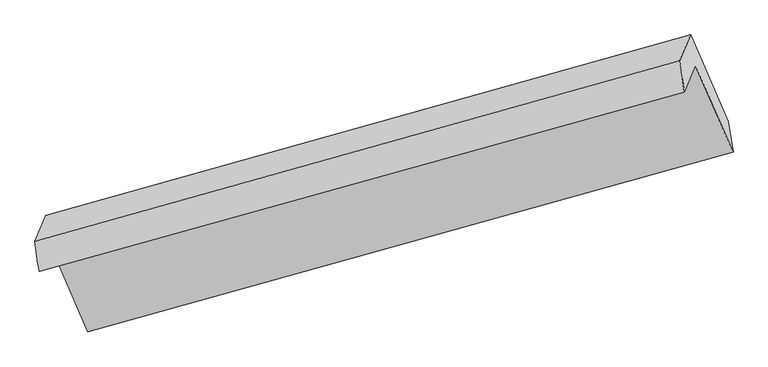
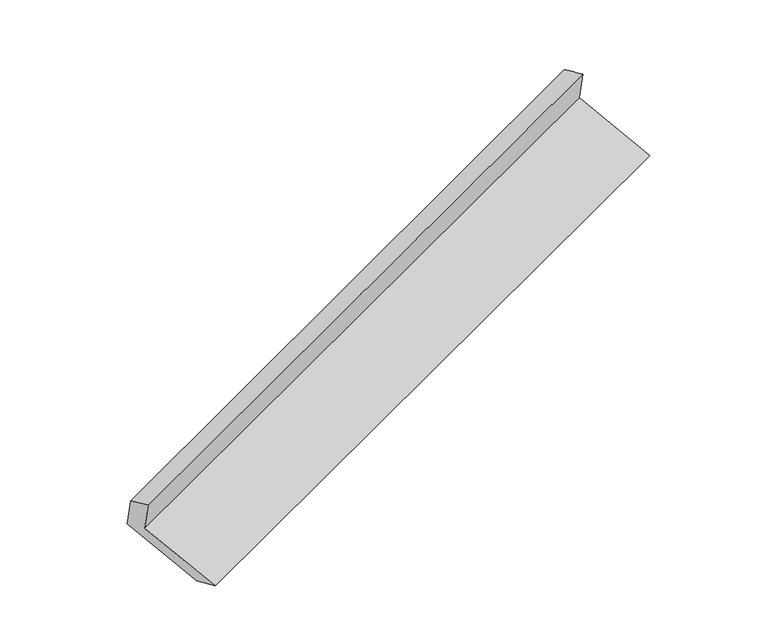
"""IFC4 building model written with IfcOpenShell, lengths in millimetres: proxy geometry."""

import ifcopenshell
import ifcopenshell.guid

model = None  # the IFC model being written
_history = None  # IfcOwnerHistory: only IFC2X3 demands one
_inside = {}  # id of a spatial element -> (the spatial element, [elements in it])
_under = {}  # id of a project, library or spatial element -> (it, [spatial elements below it])
_declared = {}  # id of a project -> (the project, [libraries it declares])
_typed = {}  # id of a type object -> (the type object, [elements of that type])
_made_of = {}  # id of a material, layer set ... -> (it, [elements and type objects made of it])


def new_model(schema):
    """Start an empty IFC model of exactly this schema.

    Asked for "IFC4X3", IfcOpenShell would pick the latest addendum, in which some entities
    have other attributes; the version numbers below select the first issue.
    IFC2X3 requires an IfcOwnerHistory on every rooted entity: one is made here for all.
    """
    global model, _history
    if schema == "IFC4X3":
        model = ifcopenshell.file(schema_version=(4, 3, 0, 0))
    else:
        model = ifcopenshell.file(schema=schema)
    _inside.clear()
    _under.clear()
    _declared.clear()
    _typed.clear()
    _made_of.clear()
    _history = None
    if model.schema == "IFC2X3":
        org = make("IfcOrganization", Name="unknown")
        user = make(
            "IfcPersonAndOrganization",
            ThePerson=make("IfcPerson", FamilyName="unknown"),
            TheOrganization=org,
        )
        app = make(
            "IfcApplication",
            ApplicationDeveloper=org,
            Version="unknown",
            ApplicationFullName="unknown",
            ApplicationIdentifier="unknown",
        )
        _history = make(
            "IfcOwnerHistory",
            OwningUser=user,
            OwningApplication=app,
            ChangeAction="ADDED",
            CreationDate=0,
        )
    return model


def make(cls, **values):
    """One entity of the class cls with the attributes given. An attribute that is None is left unset."""
    return model.create_entity(
        cls, **{name: value for name, value in values.items() if value is not None}
    )


def rooted(cls, **values):
    """An entity with a GlobalId (a new one), such as an element, a storey or a relation."""
    return make(cls, GlobalId=ifcopenshell.guid.new(), OwnerHistory=_history, **values)


def si_unit(unit_type, name, prefix=None):
    """IfcSIUnit, for example si_unit("LENGTHUNIT", "METRE", prefix="MILLI")."""
    return make("IfcSIUnit", UnitType=unit_type, Prefix=prefix, Name=name)


def assignment(units):
    """IfcUnitAssignment: the units of a project."""
    return None if units is None else make("IfcUnitAssignment", Units=units)


def point(xyz):
    """IfcCartesianPoint."""
    return None if xyz is None else make("IfcCartesianPoint", Coordinates=xyz)


def direction(xyz):
    """IfcDirection."""
    return None if xyz is None else make("IfcDirection", DirectionRatios=xyz)


def frame(location, z_axis=None, x_axis=None):
    """IfcAxis2Placement3D, a coordinate frame: its origin and axes. An axis left out is left unset."""
    return make(
        "IfcAxis2Placement3D",
        Location=point(location),
        Axis=direction(z_axis),
        RefDirection=direction(x_axis),
    )


def origin():
    """The frame at (0, 0, 0) with its axes left unset."""
    return frame((0.0, 0.0, 0.0))


def place(relative_to, where):
    """IfcLocalPlacement: puts the frame where relative to a parent placement (None: the world)."""
    return make(
        "IfcLocalPlacement", PlacementRelTo=relative_to, RelativePlacement=where
    )


def context(
    kind, dimensions, precision=None, world=None, true_north=None, identifier=None
):
    """IfcGeometricRepresentationContext, for example the 3D "Model" context."""
    return make(
        "IfcGeometricRepresentationContext",
        ContextIdentifier=identifier,
        ContextType=kind,
        CoordinateSpaceDimension=dimensions,
        Precision=precision,
        WorldCoordinateSystem=world,
        TrueNorth=true_north,
    )


def project(units=None, contexts=None):
    """IfcProject with its units and contexts."""
    return rooted(
        "IfcProject",
        Name="project",
        RepresentationContexts=contexts,
        UnitsInContext=assignment(units),
    )


def spatial(cls, under=None, at=None, **own):
    """A site, building, storey or space (cls), placed at a placement, below another one or the project."""
    s = rooted(cls, ObjectPlacement=at, **own)
    if under is not None:
        _under.setdefault(under.id(), (under, []))[1].append(s)
    return s


def shape(context_of_items, identifier, shape_type, items):
    """IfcShapeRepresentation: the items that make up one representation, for example the "Body"."""
    return make(
        "IfcShapeRepresentation",
        ContextOfItems=context_of_items,
        RepresentationIdentifier=identifier,
        RepresentationType=shape_type,
        Items=items,
    )


def source(mapping_origin, context_of_items, identifier, shape_type, items):
    """IfcRepresentationMap: a shape defined once, which mapped items show again and again."""
    return make(
        "IfcRepresentationMap",
        MappingOrigin=mapping_origin,
        MappedRepresentation=shape(context_of_items, identifier, shape_type, items),
    )


def transform(
    local_origin,
    x_axis=None,
    y_axis=None,
    z_axis=None,
    scale=None,
    scale2=None,
    scale3=None,
    uniform=True,
):
    """IfcCartesianTransformationOperator3D, or its non-uniform kind. x_axis, y_axis, z_axis: its Axis1, 2, 3."""
    if uniform:
        return make(
            "IfcCartesianTransformationOperator3D",
            Axis1=direction(x_axis),
            Axis2=direction(y_axis),
            LocalOrigin=point(local_origin),
            Scale=scale,
            Axis3=direction(z_axis),
        )
    return make(
        "IfcCartesianTransformationOperator3DnonUniform",
        Axis1=direction(x_axis),
        Axis2=direction(y_axis),
        LocalOrigin=point(local_origin),
        Scale=scale,
        Axis3=direction(z_axis),
        Scale2=scale2,
        Scale3=scale3,
    )


def mapped(mapping_source, mapping_target):
    """IfcMappedItem: shows the shape of a source again, moved by a transform."""
    return make(
        "IfcMappedItem", MappingSource=mapping_source, MappingTarget=mapping_target
    )


def made_of(thing, what):
    """Note that an element or type object is made of a material, layer set ...; save() writes the relation."""
    if what is not None:
        _made_of.setdefault(what.id(), (what, []))[1].append(thing)
    return thing


def element(
    cls,
    number,
    at=None,
    inside=None,
    cuts=None,
    type_object=None,
    material=None,
    context=None,
    identifier="Body",
    shape_type=None,
    held_by="IfcProductDefinitionShape",
    body=None,
    shapes=None,
    **own,
):
    """One element of the class cls, such as IfcWall. Its Tag is "e" and its number.

    at: its placement. inside: the storey or other place that contains it. cuts: it is an
    opening in that element (IfcRelVoidsElement). A single representation is given by context,
    identifier, shape_type and body (its items); several are given by shapes. held_by: the class
    of the entity that holds the representations. save() writes the other relations.
    """
    e = rooted(cls, Tag="e%d" % number, ObjectPlacement=at, **own)
    if body is not None:
        shapes = [shape(context, identifier, shape_type, body)]
    if shapes is not None:
        e.Representation = make(held_by, Representations=shapes)
    if inside is not None:
        _inside.setdefault(inside.id(), (inside, []))[1].append(e)
    if cuts is not None:
        rooted(
            "IfcRelVoidsElement", RelatingBuildingElement=cuts, RelatedOpeningElement=e
        )
    if type_object is not None:
        _typed.setdefault(type_object.id(), (type_object, []))[1].append(e)
    return made_of(e, material)


def aggregate(whole, parts):
    """IfcRelAggregates: a whole, such as a stair, and the parts it consists of."""
    return rooted("IfcRelAggregates", RelatingObject=whole, RelatedObjects=parts)


def save(model, path):
    """Write the relations noted so far, then the file.

    IfcRelAggregates (storeys below a building ...), IfcRelContainedInSpatialStructure (elements
    in a storey), IfcRelDefinesByType, IfcRelAssociatesMaterial and IfcRelDeclares: one each for
    every whole, place, type object, material and project.
    """
    for whole, parts in _under.values():
        aggregate(whole, parts)
    for where, things in _inside.values():
        rooted(
            "IfcRelContainedInSpatialStructure",
            RelatedElements=things,
            RelatingStructure=where,
        )
    for kind, things in _typed.values():
        rooted("IfcRelDefinesByType", RelatedObjects=things, RelatingType=kind)
    for what, things in _made_of.values():
        rooted("IfcRelAssociatesMaterial", RelatedObjects=things, RelatingMaterial=what)
    for by, libraries in _declared.values():
        rooted("IfcRelDeclares", RelatingContext=by, RelatedDefinitions=libraries)
    model.write(path)


def plane_surface(at):
    """IfcPlane: the flat surface through the origin of the frame at, square to its z axis."""
    return make("IfcPlane", Position=at)


def spline_surface(u_degree, v_degree, points, u_multiplicities, v_multiplicities, u_knots, v_knots, weights=None):
    """IfcBSplineSurfaceWithKnots; with weights, IfcRationalBSplineSurfaceWithKnots. points: one row for each step in u."""
    own = dict(
        UDegree=u_degree,
        VDegree=v_degree,
        ControlPointsList=[[point(p) for p in row] for row in points],
        SurfaceForm="UNSPECIFIED",
        UClosed=False,
        VClosed=False,
        SelfIntersect=False,
        UMultiplicities=u_multiplicities,
        VMultiplicities=v_multiplicities,
        UKnots=u_knots,
        VKnots=v_knots,
        KnotSpec="UNSPECIFIED",
    )
    if weights is None:
        return make("IfcBSplineSurfaceWithKnots", **own)
    return make("IfcRationalBSplineSurfaceWithKnots", WeightsData=weights, **own)


def advanced_brep(points, edges, surfaces, faces):
    """IfcAdvancedBrep: a solid bounded by faces that lie on surfaces and meet in shared edges.

    An edge is (start, end): straight between two places in points (the first is 0);
    or (start, end, curve); or (start, end, curve, False) where it runs against its curve.
    A face is (place in surfaces, loops), or (place, loops, False) where it looks against
    its surface's normal. A loop lists edges by number (the first is 1), with a minus sign
    where the edge is run from its end to its start. The first loop is the outer one.
    """
    corners = [point(p) for p in points]
    vertices = [make("IfcVertexPoint", VertexGeometry=c) for c in corners]
    made = []
    for start, end, *more in edges:
        made.append(
            make(
                "IfcEdgeCurve",
                EdgeStart=vertices[start],
                EdgeEnd=vertices[end],
                EdgeGeometry=more[0] if more else make("IfcPolyline", Points=[corners[start], corners[end]]),
                SameSense=more[1] if len(more) > 1 else True,
            )
        )
    hull = []
    for where, loops, *sense in faces:
        bounds = []
        for j, loop in enumerate(loops):
            ring = [make("IfcOrientedEdge", EdgeElement=made[abs(k) - 1], Orientation=k > 0) for k in loop]
            bounds.append(
                make(
                    "IfcFaceOuterBound" if j == 0 else "IfcFaceBound",
                    Bound=make("IfcEdgeLoop", EdgeList=ring),
                    Orientation=True,
                )
            )
        hull.append(make("IfcAdvancedFace", Bounds=bounds, FaceSurface=surfaces[where], SameSense=sense[0] if sense else True))
    return make("IfcAdvancedBrep", Outer=make("IfcClosedShell", CfsFaces=hull))


def generic_models_f07555c0(model_context):
    return source(origin(), model_context, "Body", "AdvancedBrep", [
        advanced_brep(
        [(-5144.3500588, -2135.6765513, 1493.3820745), (-5069.6783754, -1957.9626365, 1151.3016307), (-739.6750169, -752.2265168, 2711.3972045), (-814.3467003, -929.9404316, 3053.4776483), (-5171.9098603, -1933.2920229, 1413.4699925), (-845.6175253, -719.0089554, 2977.195716), (-5099.1398943, -1760.1040759, 1080.1015568), (-772.8475593, -545.8210084, 2643.8272803), (-4850.2544933, -2333.3180585, 836.640083), (-520.2511349, -1127.5819388, 2396.7356568), (-4817.081951, -2539.7235669, 904.2100072), (-487.0785925, -1333.9874473, 2464.305581)],
        [
            (0, 1),
            (1, 2),
            (2, 3),
            (3, 0),
            (4, 0),
            (3, 5),
            (5, 4),
            (6, 4),
            (5, 7),
            (7, 6),
            (8, 6),
            (7, 9),
            (9, 8),
            (10, 8),
            (9, 11),
            (11, 10),
            (1, 10),
            (11, 2),
        ],
        [
            plane_surface(frame((-5107.0142171, -2046.8195939, 1322.3418526), z_axis=(0.36919116534704033, -0.8552273295575493, -0.3637088096369913), x_axis=(0.19017173522827097, 0.45259678153976696, -0.8712008175272294))),
            spline_surface(1, 1, [[(-5171.9098603, -1933.2920229, 1413.4699925), (-845.6175253, -719.0089554, 2977.195716)], [(-5144.3500588, -2135.6765513, 1493.3820745), (-814.3467003, -929.9404316, 3053.4776483)]], [2, 2], [2, 2], [0.0, 1.0], [0.0, 1.0]),
            plane_surface(frame((-5135.5248773, -1846.6980494, 1246.7857746), z_axis=(-0.37110234885469484, 0.85469478925226, 0.3630149637405651), x_axis=(-0.19017173522827074, -0.452596781539767, 0.8712008175272296))),
            plane_surface(frame((-4974.6971938, -2046.7110672, 958.3708199), z_axis=(0.18826095136410947, 0.4520613536602869, -0.8718935409316377), x_axis=(-0.3711023488546919, 0.8546947892522613, 0.3630149637405645))),
            plane_surface(frame((-4833.6682221, -2436.5208127, 870.4250451), z_axis=(0.3859975646487917, -0.23038871667412067, -0.89326755192073), x_axis=(-0.1509882144857403, 0.9394757520613136, -0.3075514109465886))),
            plane_surface(frame((-4943.3801632, -2248.8431017, 1027.7558189), z_axis=(-0.18826095136410967, -0.452061353660287, 0.8718935409316378), x_axis=(0.3711023488546919, -0.8546947892522613, -0.3630149637405645))),
            plane_surface(frame((-696.6360882, -901.4277164, 2707.8231812), z_axis=(0.9089102033725879, 0.25426948414011175, 0.3304985198761451), x_axis=(-0.3711023488546919, 0.8546947892522613, 0.3630149637405645))),
            plane_surface(frame((-5025.4024388, -2110.0128187, 1146.5175574), z_axis=(-0.9089102033725995, -0.2542694841400832, -0.3304985198761349), x_axis=(-0.19017173522827244, -0.45259678153976723, 0.8712008175272289))),
        ],
        [
            (0, [[1, 2, 3, 4]]),
            (1, [[5, -4, 6, 7]]),
            (2, [[8, -7, 9, 10]]),
            (3, [[11, -10, 12, 13]]),
            (4, [[14, -13, 15, 16]]),
            (5, [[17, -16, 18, -2]]),
            (6, [[-12, -9, -6, -3, -18, -15]]),
            (7, [[-1, -5, -8, -11, -14, -17]]),
        ],
    ),
    ])


if __name__ == "__main__":
    model = new_model("IFC4")
    model_context = context("Model", 3, world=origin())
    ifc_project = project(units=[si_unit("LENGTHUNIT", "METRE", prefix="MILLI")], contexts=[model_context])
    site = spatial("IfcSite", under=ifc_project)
    building = spatial("IfcBuilding", under=site)
    placement = place(None, origin())
    generic_models_shape = generic_models_f07555c0(model_context)
    element("IfcBuildingElementProxy", 1, Name="Generic Models", at=placement, inside=building, context=model_context, shape_type="MappedRepresentation", body=[
        mapped(generic_models_shape, transform((0.0, 0.0, 0.0), x_axis=(1.0, 0.0, 0.0), y_axis=(0.0, 1.0, 0.0), z_axis=(0.0, 0.0, 1.0))),
    ])
    save(model, "model.ifc")
